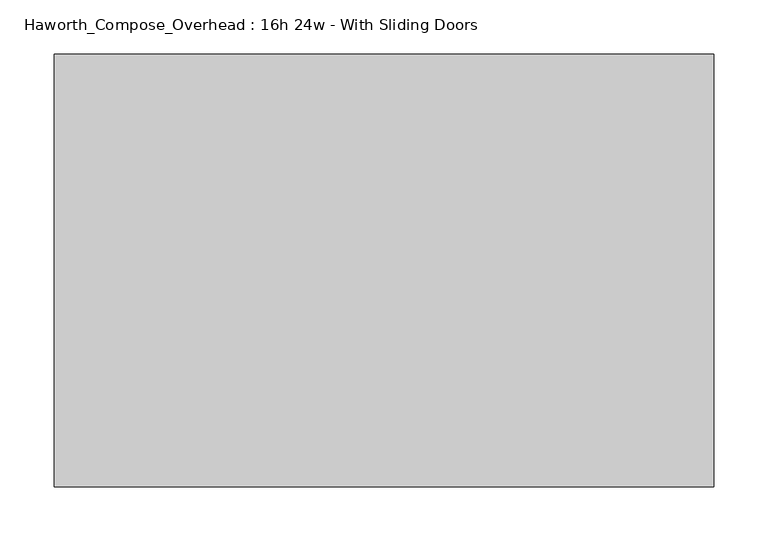
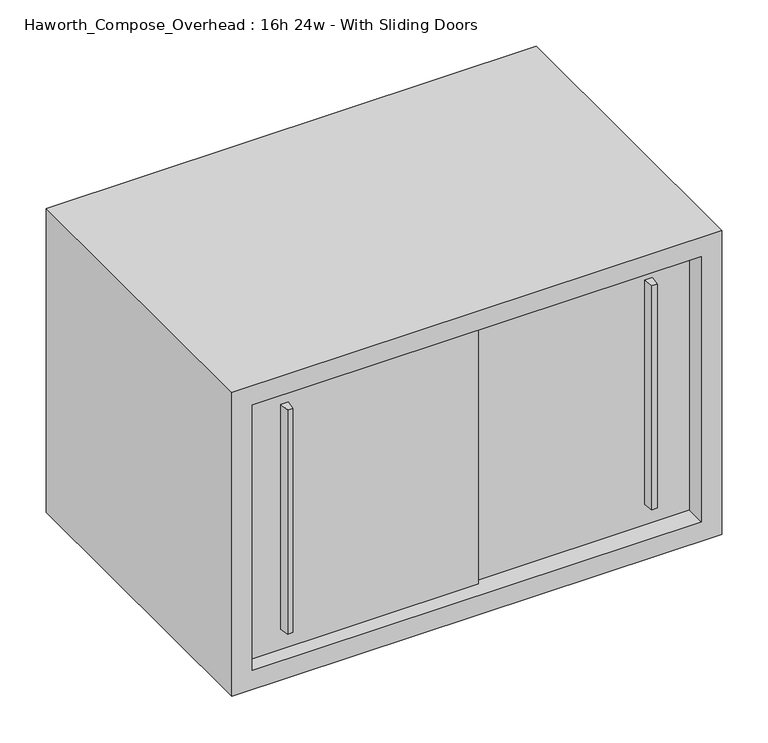
"""IFC4 building model written with IfcOpenShell, lengths in millimetres: furniture geometry, Haworth_Compose_Overhead : 16h 24w - With Sliding Doors."""

from ifc_helpers import new_model, si_unit, frame, origin, place, context, project, spatial, polyline, outline, extrude, source, transform, mapped, element, save


def haworth_compose_overhead_16h_24w_with_sliding_doors_57f3511b(model_context):
    return source(origin(), model_context, "Body", "SweptSolid", [
        extrude(outline(polyline([(396.8750004, -387.3499879), (390.5249996, -387.3499879), (388.9375011, -374.65), (398.4624989, -374.65), (396.8750004, -387.3499879)])), frame((0.0, 0.0, 1322.3875), z_axis=(0.0, 0.0, 1.0), x_axis=(1.0, 0.0, 0.0)), (0.0, 0.0, 1.0), 295.275),
        extrude(outline(polyline([(-60.3249996, -393.6999879), (-66.6750004, -393.6999879), (-68.2624989, -381.0), (-58.7375011, -381.0), (-60.3249996, -393.6999879)])), frame((0.0, 0.0, 1322.3875), z_axis=(0.0, 0.0, 1.0), x_axis=(1.0, 0.0, 0.0)), (0.0, 0.0, 1.0), 295.275),
        extrude(outline(polyline([(-114.3, -374.65), (177.8, -374.65), (177.8, -381.0), (-114.3, -381.0), (-114.3, -374.65)])), frame((0.0, 0.0, 1295.4), z_axis=(0.0, 0.0, 1.0), x_axis=(1.0, 0.0, 0.0)), (0.0, 0.0, 1.0), 349.25),
        extrude(outline(polyline([(152.4, -368.3), (444.5, -368.3), (444.5, -374.65), (152.4, -374.65), (152.4, -368.3)])), frame((0.0, 0.0, 1295.4), z_axis=(0.0, 0.0, 1.0), x_axis=(1.0, 0.0, 0.0)), (0.0, 0.0, 1.0), 349.25),
        extrude(outline(polyline([(444.5, -6.35), (-114.3, -6.35), (-114.3, 0.0), (444.5, 0.0), (444.5, -6.35)])), frame((0.0, 0.0, 1295.4), z_axis=(0.0, 0.0, 1.0), x_axis=(1.0, 0.0, 0.0)), (0.0, 0.0, 1.0), 349.25),
        extrude(outline(polyline([(1270.0, 469.9), (1670.05, 469.9), (1670.05, -139.7), (1270.0, -139.7), (1270.0, 469.9)]), holes=[polyline([(1644.65, 444.5), (1295.4, 444.5), (1295.4, -114.3), (1644.65, -114.3), (1644.65, 444.5)])]), frame((0.0, -400.05, 0.0), z_axis=(0.0, 1.0, 0.0), x_axis=(0.0, 0.0, 1.0)), (0.0, 0.0, 1.0), 400.05),
    ])


if __name__ == "__main__":
    model = new_model("IFC4")
    model_context = context("Model", 3, world=origin())
    ifc_project = project(units=[si_unit("LENGTHUNIT", "METRE", prefix="MILLI")], contexts=[model_context])
    site = spatial("IfcSite", under=ifc_project)
    building = spatial("IfcBuilding", under=site)
    placement = place(None, origin())
    haworth_compose_overhead_16h_24w_with_sliding_doors_shape = haworth_compose_overhead_16h_24w_with_sliding_doors_57f3511b(model_context)
    element("IfcFurniture", 1, ObjectType="Haworth_Compose_Overhead : 16h 24w - With Sliding Doors", at=placement, inside=building, context=model_context, shape_type="MappedRepresentation", body=[
        mapped(haworth_compose_overhead_16h_24w_with_sliding_doors_shape, transform((0.0, 0.0, 0.0), x_axis=(1.0, 0.0, 0.0), y_axis=(0.0, 1.0, 0.0), z_axis=(0.0, 0.0, 1.0))),
    ])
    save(model, "model.ifc")
